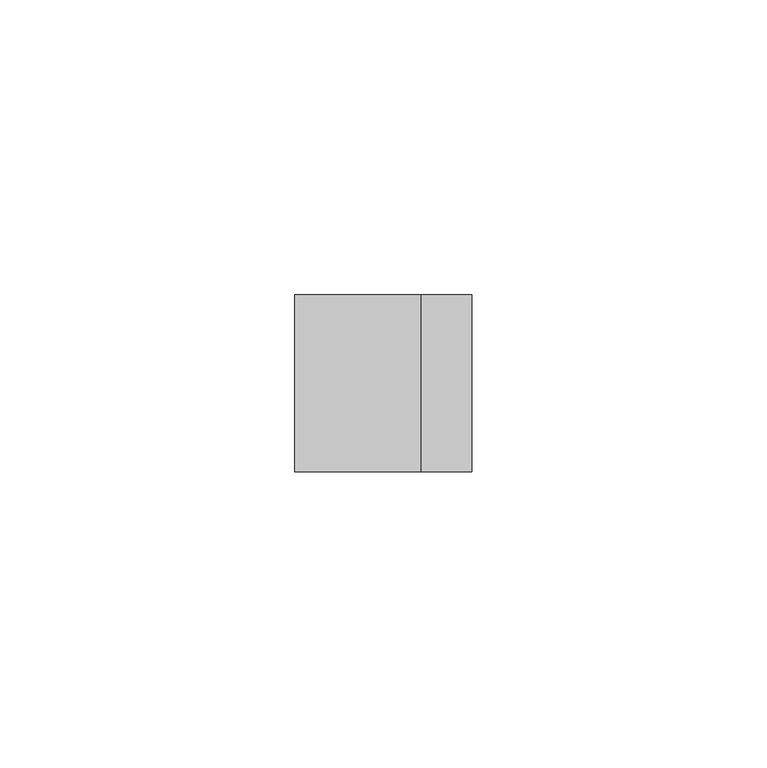
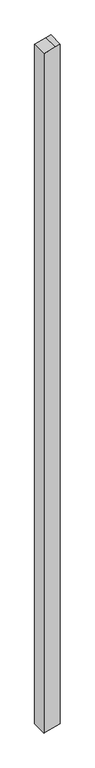
"""IFC4 building model written with IfcOpenShell, lengths in millimetres: member geometry."""

from ifc_helpers import new_model, si_unit, frame, origin, place, context, project, spatial, polyline, outline, extrude, source, transform, mapped, element, save


def member_39f27384(model_context):
    return source(origin(), model_context, "Body", "SweptSolid", [
        extrude(outline(polyline([(3.1373334, 15.0), (0.8518543, 6.4704761), (-4.9011424, -15.0), (-1339.8035325, -15.0), (-1339.2024408, -12.7137556), (-1331.9160322, 15.0), (3.1373334, 15.0)])), frame((0.0, -15.0, 0.0), z_axis=(0.0, 1.0, 0.0), x_axis=(0.0, 0.0, 1.0)), (0.0, 0.0, 1.0), 30.0),
    ])


if __name__ == "__main__":
    model = new_model("IFC4")
    model_context = context("Model", 3, world=origin())
    ifc_project = project(units=[si_unit("LENGTHUNIT", "METRE", prefix="MILLI")], contexts=[model_context])
    site = spatial("IfcSite", under=ifc_project)
    building = spatial("IfcBuilding", under=site)
    placement = place(None, origin())
    member_shape = member_39f27384(model_context)
    element("IfcMember", 1, at=placement, inside=building, context=model_context, shape_type="MappedRepresentation", body=[
        mapped(member_shape, transform((0.0, 0.0, 0.0), x_axis=(1.0, 0.0, 0.0), y_axis=(0.0, 1.0, 0.0), z_axis=(0.0, 0.0, 1.0))),
    ])
    save(model, "model.ifc")
